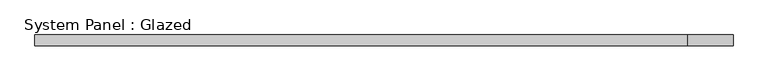
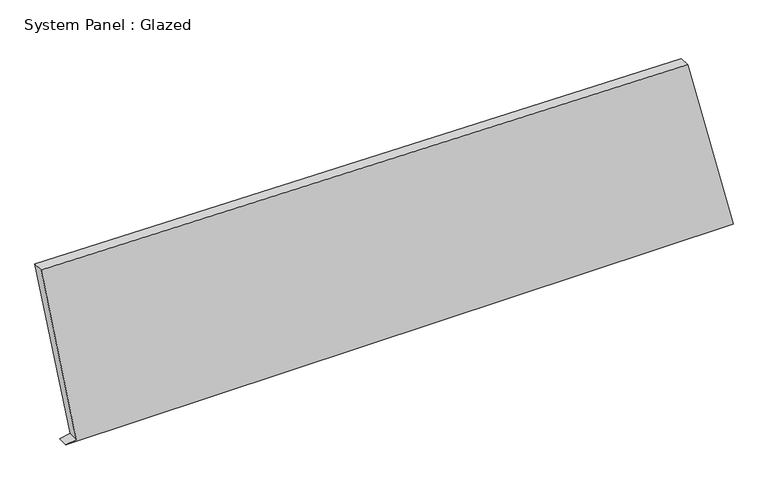
"""IFC4 building model written with IfcOpenShell, lengths in millimetres: plate geometry, System Panel : Glazed."""

import ifcopenshell
import ifcopenshell.guid

model = None  # the IFC model being written
_history = None  # IfcOwnerHistory: only IFC2X3 demands one
_inside = {}  # id of a spatial element -> (the spatial element, [elements in it])
_under = {}  # id of a project, library or spatial element -> (it, [spatial elements below it])
_declared = {}  # id of a project -> (the project, [libraries it declares])
_typed = {}  # id of a type object -> (the type object, [elements of that type])
_made_of = {}  # id of a material, layer set ... -> (it, [elements and type objects made of it])


def new_model(schema):
    """Start an empty IFC model of exactly this schema.

    Asked for "IFC4X3", IfcOpenShell would pick the latest addendum, in which some entities
    have other attributes; the version numbers below select the first issue.
    IFC2X3 requires an IfcOwnerHistory on every rooted entity: one is made here for all.
    """
    global model, _history
    if schema == "IFC4X3":
        model = ifcopenshell.file(schema_version=(4, 3, 0, 0))
    else:
        model = ifcopenshell.file(schema=schema)
    _inside.clear()
    _under.clear()
    _declared.clear()
    _typed.clear()
    _made_of.clear()
    _history = None
    if model.schema == "IFC2X3":
        org = make("IfcOrganization", Name="unknown")
        user = make(
            "IfcPersonAndOrganization",
            ThePerson=make("IfcPerson", FamilyName="unknown"),
            TheOrganization=org,
        )
        app = make(
            "IfcApplication",
            ApplicationDeveloper=org,
            Version="unknown",
            ApplicationFullName="unknown",
            ApplicationIdentifier="unknown",
        )
        _history = make(
            "IfcOwnerHistory",
            OwningUser=user,
            OwningApplication=app,
            ChangeAction="ADDED",
            CreationDate=0,
        )
    return model


def make(cls, **values):
    """One entity of the class cls with the attributes given. An attribute that is None is left unset."""
    return model.create_entity(
        cls, **{name: value for name, value in values.items() if value is not None}
    )


def rooted(cls, **values):
    """An entity with a GlobalId (a new one), such as an element, a storey or a relation."""
    return make(cls, GlobalId=ifcopenshell.guid.new(), OwnerHistory=_history, **values)


def si_unit(unit_type, name, prefix=None):
    """IfcSIUnit, for example si_unit("LENGTHUNIT", "METRE", prefix="MILLI")."""
    return make("IfcSIUnit", UnitType=unit_type, Prefix=prefix, Name=name)


def assignment(units):
    """IfcUnitAssignment: the units of a project."""
    return None if units is None else make("IfcUnitAssignment", Units=units)


def point(xyz):
    """IfcCartesianPoint."""
    return None if xyz is None else make("IfcCartesianPoint", Coordinates=xyz)


def direction(xyz):
    """IfcDirection."""
    return None if xyz is None else make("IfcDirection", DirectionRatios=xyz)


def frame(location, z_axis=None, x_axis=None):
    """IfcAxis2Placement3D, a coordinate frame: its origin and axes. An axis left out is left unset."""
    return make(
        "IfcAxis2Placement3D",
        Location=point(location),
        Axis=direction(z_axis),
        RefDirection=direction(x_axis),
    )


def origin():
    """The frame at (0, 0, 0) with its axes left unset."""
    return frame((0.0, 0.0, 0.0))


def place(relative_to, where):
    """IfcLocalPlacement: puts the frame where relative to a parent placement (None: the world)."""
    return make(
        "IfcLocalPlacement", PlacementRelTo=relative_to, RelativePlacement=where
    )


def context(
    kind, dimensions, precision=None, world=None, true_north=None, identifier=None
):
    """IfcGeometricRepresentationContext, for example the 3D "Model" context."""
    return make(
        "IfcGeometricRepresentationContext",
        ContextIdentifier=identifier,
        ContextType=kind,
        CoordinateSpaceDimension=dimensions,
        Precision=precision,
        WorldCoordinateSystem=world,
        TrueNorth=true_north,
    )


def project(units=None, contexts=None):
    """IfcProject with its units and contexts."""
    return rooted(
        "IfcProject",
        Name="project",
        RepresentationContexts=contexts,
        UnitsInContext=assignment(units),
    )


def spatial(cls, under=None, at=None, **own):
    """A site, building, storey or space (cls), placed at a placement, below another one or the project."""
    s = rooted(cls, ObjectPlacement=at, **own)
    if under is not None:
        _under.setdefault(under.id(), (under, []))[1].append(s)
    return s


def polyline(points):
    """IfcPolyline through the points."""
    return make("IfcPolyline", Points=[point(p) for p in points])


def outline(outer, holes=None, kind="AREA"):
    """IfcArbitraryClosedProfileDef: a profile drawn as a closed curve; with holes, ...WithVoids."""
    if holes is None:
        return make("IfcArbitraryClosedProfileDef", ProfileType=kind, OuterCurve=outer)
    return make(
        "IfcArbitraryProfileDefWithVoids",
        ProfileType=kind,
        OuterCurve=outer,
        InnerCurves=holes,
    )


def extrude(swept, where, along, depth):
    """IfcExtrudedAreaSolid: the profile swept, set in the frame where, extruded along a direction by depth."""
    return make(
        "IfcExtrudedAreaSolid",
        SweptArea=swept,
        Position=where,
        ExtrudedDirection=direction(along),
        Depth=depth,
    )


def shape(context_of_items, identifier, shape_type, items):
    """IfcShapeRepresentation: the items that make up one representation, for example the "Body"."""
    return make(
        "IfcShapeRepresentation",
        ContextOfItems=context_of_items,
        RepresentationIdentifier=identifier,
        RepresentationType=shape_type,
        Items=items,
    )


def source(mapping_origin, context_of_items, identifier, shape_type, items):
    """IfcRepresentationMap: a shape defined once, which mapped items show again and again."""
    return make(
        "IfcRepresentationMap",
        MappingOrigin=mapping_origin,
        MappedRepresentation=shape(context_of_items, identifier, shape_type, items),
    )


def transform(
    local_origin,
    x_axis=None,
    y_axis=None,
    z_axis=None,
    scale=None,
    scale2=None,
    scale3=None,
    uniform=True,
):
    """IfcCartesianTransformationOperator3D, or its non-uniform kind. x_axis, y_axis, z_axis: its Axis1, 2, 3."""
    if uniform:
        return make(
            "IfcCartesianTransformationOperator3D",
            Axis1=direction(x_axis),
            Axis2=direction(y_axis),
            LocalOrigin=point(local_origin),
            Scale=scale,
            Axis3=direction(z_axis),
        )
    return make(
        "IfcCartesianTransformationOperator3DnonUniform",
        Axis1=direction(x_axis),
        Axis2=direction(y_axis),
        LocalOrigin=point(local_origin),
        Scale=scale,
        Axis3=direction(z_axis),
        Scale2=scale2,
        Scale3=scale3,
    )


def mapped(mapping_source, mapping_target):
    """IfcMappedItem: shows the shape of a source again, moved by a transform."""
    return make(
        "IfcMappedItem", MappingSource=mapping_source, MappingTarget=mapping_target
    )


def made_of(thing, what):
    """Note that an element or type object is made of a material, layer set ...; save() writes the relation."""
    if what is not None:
        _made_of.setdefault(what.id(), (what, []))[1].append(thing)
    return thing


def element(
    cls,
    number,
    at=None,
    inside=None,
    cuts=None,
    type_object=None,
    material=None,
    context=None,
    identifier="Body",
    shape_type=None,
    held_by="IfcProductDefinitionShape",
    body=None,
    shapes=None,
    **own,
):
    """One element of the class cls, such as IfcWall. Its Tag is "e" and its number.

    at: its placement. inside: the storey or other place that contains it. cuts: it is an
    opening in that element (IfcRelVoidsElement). A single representation is given by context,
    identifier, shape_type and body (its items); several are given by shapes. held_by: the class
    of the entity that holds the representations. save() writes the other relations.
    """
    e = rooted(cls, Tag="e%d" % number, ObjectPlacement=at, **own)
    if body is not None:
        shapes = [shape(context, identifier, shape_type, body)]
    if shapes is not None:
        e.Representation = make(held_by, Representations=shapes)
    if inside is not None:
        _inside.setdefault(inside.id(), (inside, []))[1].append(e)
    if cuts is not None:
        rooted(
            "IfcRelVoidsElement", RelatingBuildingElement=cuts, RelatedOpeningElement=e
        )
    if type_object is not None:
        _typed.setdefault(type_object.id(), (type_object, []))[1].append(e)
    return made_of(e, material)


def aggregate(whole, parts):
    """IfcRelAggregates: a whole, such as a stair, and the parts it consists of."""
    return rooted("IfcRelAggregates", RelatingObject=whole, RelatedObjects=parts)


def save(model, path):
    """Write the relations noted so far, then the file.

    IfcRelAggregates (storeys below a building ...), IfcRelContainedInSpatialStructure (elements
    in a storey), IfcRelDefinesByType, IfcRelAssociatesMaterial and IfcRelDeclares: one each for
    every whole, place, type object, material and project.
    """
    for whole, parts in _under.values():
        aggregate(whole, parts)
    for where, things in _inside.values():
        rooted(
            "IfcRelContainedInSpatialStructure",
            RelatedElements=things,
            RelatingStructure=where,
        )
    for kind, things in _typed.values():
        rooted("IfcRelDefinesByType", RelatedObjects=things, RelatingType=kind)
    for what, things in _made_of.values():
        rooted("IfcRelAssociatesMaterial", RelatedObjects=things, RelatingMaterial=what)
    for by, libraries in _declared.values():
        rooted("IfcRelDeclares", RelatingContext=by, RelatedDefinitions=libraries)
    model.write(path)


def system_panel_glazed_b9c950ce(model_context):
    return source(origin(), model_context, "Body", "SweptSolid", [
        extrude(outline(polyline([(0.0, -756.0048661), (0.0, 814.2974584), (434.7016512, 707.1049482), (456.2629942, -814.2974584), (4.5114113, -731.4152917), (0.0, -756.0048661)])), frame((0.0, -49.5, 0.0), z_axis=(0.0, 1.0, 0.0), x_axis=(0.0, 0.0, 1.0)), (0.0, 0.0, 1.0), 25.0),
    ])


if __name__ == "__main__":
    model = new_model("IFC4")
    model_context = context("Model", 3, world=origin())
    ifc_project = project(units=[si_unit("LENGTHUNIT", "METRE", prefix="MILLI")], contexts=[model_context])
    site = spatial("IfcSite", under=ifc_project)
    building = spatial("IfcBuilding", under=site)
    placement = place(None, origin())
    system_panel_glazed_shape = system_panel_glazed_b9c950ce(model_context)
    element("IfcPlate", 1, ObjectType="System Panel : Glazed", at=placement, inside=building, context=model_context, shape_type="MappedRepresentation", body=[
        mapped(system_panel_glazed_shape, transform((0.0, 0.0, 0.0), x_axis=(1.0, 0.0, 0.0), y_axis=(0.0, 1.0, 0.0), z_axis=(0.0, 0.0, 1.0))),
    ])
    save(model, "model.ifc")
